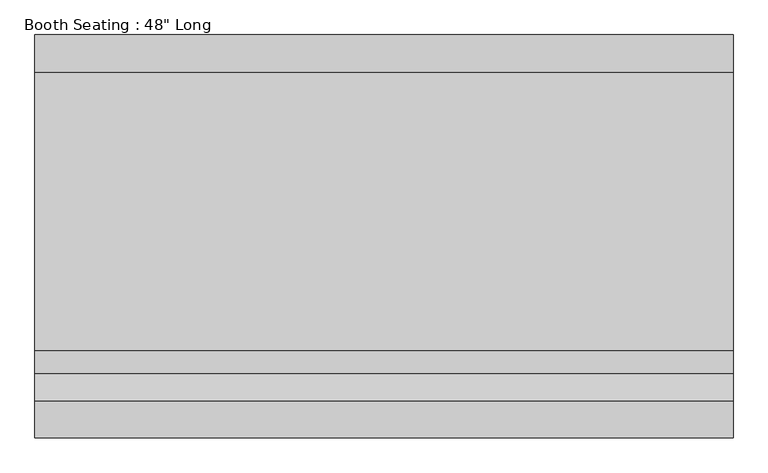
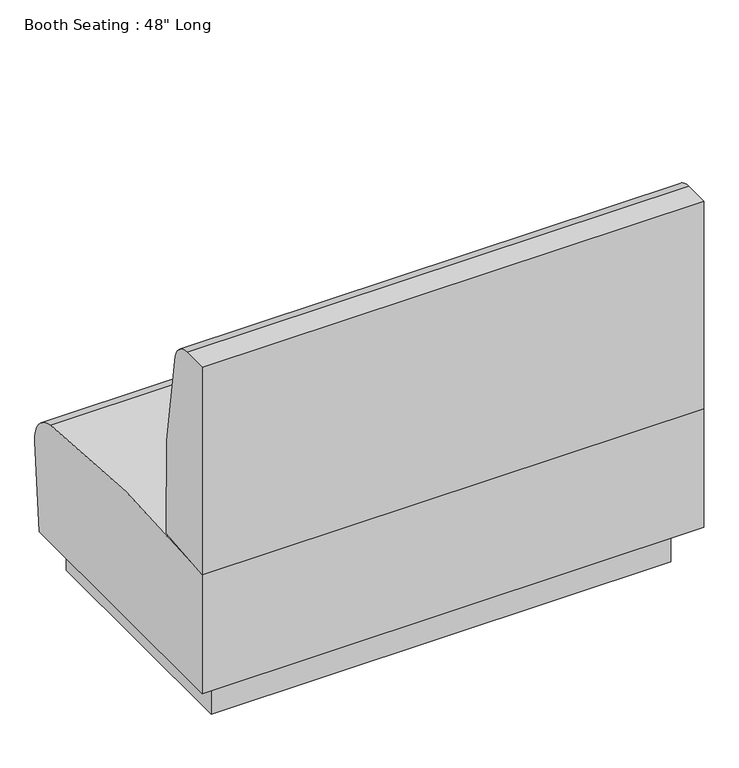
"""IFC4 building model written with IfcOpenShell, lengths in millimetres: furniture geometry."""

import ifcopenshell
import ifcopenshell.guid

model = None  # the IFC model being written
_history = None  # IfcOwnerHistory: only IFC2X3 demands one
_inside = {}  # id of a spatial element -> (the spatial element, [elements in it])
_under = {}  # id of a project, library or spatial element -> (it, [spatial elements below it])
_declared = {}  # id of a project -> (the project, [libraries it declares])
_typed = {}  # id of a type object -> (the type object, [elements of that type])
_made_of = {}  # id of a material, layer set ... -> (it, [elements and type objects made of it])


def new_model(schema):
    """Start an empty IFC model of exactly this schema.

    Asked for "IFC4X3", IfcOpenShell would pick the latest addendum, in which some entities
    have other attributes; the version numbers below select the first issue.
    IFC2X3 requires an IfcOwnerHistory on every rooted entity: one is made here for all.
    """
    global model, _history
    if schema == "IFC4X3":
        model = ifcopenshell.file(schema_version=(4, 3, 0, 0))
    else:
        model = ifcopenshell.file(schema=schema)
    _inside.clear()
    _under.clear()
    _declared.clear()
    _typed.clear()
    _made_of.clear()
    _history = None
    if model.schema == "IFC2X3":
        org = make("IfcOrganization", Name="unknown")
        user = make(
            "IfcPersonAndOrganization",
            ThePerson=make("IfcPerson", FamilyName="unknown"),
            TheOrganization=org,
        )
        app = make(
            "IfcApplication",
            ApplicationDeveloper=org,
            Version="unknown",
            ApplicationFullName="unknown",
            ApplicationIdentifier="unknown",
        )
        _history = make(
            "IfcOwnerHistory",
            OwningUser=user,
            OwningApplication=app,
            ChangeAction="ADDED",
            CreationDate=0,
        )
    return model


def make(cls, **values):
    """One entity of the class cls with the attributes given. An attribute that is None is left unset."""
    return model.create_entity(
        cls, **{name: value for name, value in values.items() if value is not None}
    )


def rooted(cls, **values):
    """An entity with a GlobalId (a new one), such as an element, a storey or a relation."""
    return make(cls, GlobalId=ifcopenshell.guid.new(), OwnerHistory=_history, **values)


def si_unit(unit_type, name, prefix=None):
    """IfcSIUnit, for example si_unit("LENGTHUNIT", "METRE", prefix="MILLI")."""
    return make("IfcSIUnit", UnitType=unit_type, Prefix=prefix, Name=name)


def assignment(units):
    """IfcUnitAssignment: the units of a project."""
    return None if units is None else make("IfcUnitAssignment", Units=units)


def point(xyz):
    """IfcCartesianPoint."""
    return None if xyz is None else make("IfcCartesianPoint", Coordinates=xyz)


def direction(xyz):
    """IfcDirection."""
    return None if xyz is None else make("IfcDirection", DirectionRatios=xyz)


def frame(location, z_axis=None, x_axis=None):
    """IfcAxis2Placement3D, a coordinate frame: its origin and axes. An axis left out is left unset."""
    return make(
        "IfcAxis2Placement3D",
        Location=point(location),
        Axis=direction(z_axis),
        RefDirection=direction(x_axis),
    )


def frame_2d(location, x_axis=None):
    """IfcAxis2Placement2D, a coordinate frame in the plane: its origin and x axis."""
    return make(
        "IfcAxis2Placement2D", Location=point(location), RefDirection=direction(x_axis)
    )


def origin():
    """The frame at (0, 0, 0) with its axes left unset."""
    return frame((0.0, 0.0, 0.0))


def origin_with_axes():
    """The frame at (0, 0, 0) with the z axis (0, 0, 1) and the x axis (1, 0, 0) written out."""
    return frame((0.0, 0.0, 0.0), z_axis=(0.0, 0.0, 1.0), x_axis=(1.0, 0.0, 0.0))


def place(relative_to, where):
    """IfcLocalPlacement: puts the frame where relative to a parent placement (None: the world)."""
    return make(
        "IfcLocalPlacement", PlacementRelTo=relative_to, RelativePlacement=where
    )


def context(
    kind, dimensions, precision=None, world=None, true_north=None, identifier=None
):
    """IfcGeometricRepresentationContext, for example the 3D "Model" context."""
    return make(
        "IfcGeometricRepresentationContext",
        ContextIdentifier=identifier,
        ContextType=kind,
        CoordinateSpaceDimension=dimensions,
        Precision=precision,
        WorldCoordinateSystem=world,
        TrueNorth=true_north,
    )


def project(units=None, contexts=None):
    """IfcProject with its units and contexts."""
    return rooted(
        "IfcProject",
        Name="project",
        RepresentationContexts=contexts,
        UnitsInContext=assignment(units),
    )


def spatial(cls, under=None, at=None, **own):
    """A site, building, storey or space (cls), placed at a placement, below another one or the project."""
    s = rooted(cls, ObjectPlacement=at, **own)
    if under is not None:
        _under.setdefault(under.id(), (under, []))[1].append(s)
    return s


def polyline(points):
    """IfcPolyline through the points."""
    return make("IfcPolyline", Points=[point(p) for p in points])


def circle_curve(where, radius):
    """IfcCircle in the frame where."""
    return make("IfcCircle", Position=where, Radius=radius)


def trimmed(basis, trim1, trim2, sense, master):
    """IfcTrimmedCurve: the piece of a basis curve between two trims."""
    return make(
        "IfcTrimmedCurve",
        BasisCurve=basis,
        Trim1=trim1,
        Trim2=trim2,
        SenseAgreement=sense,
        MasterRepresentation=master,
    )


def segment(curve, same_sense, transition):
    """IfcCompositeCurveSegment."""
    return make(
        "IfcCompositeCurveSegment",
        Transition=transition,
        SameSense=same_sense,
        ParentCurve=curve,
    )


def composite_curve(segments, self_intersect=None):
    """IfcCompositeCurve: segments joined end to end."""
    return make("IfcCompositeCurve", Segments=segments, SelfIntersect=self_intersect)


def outline(outer, holes=None, kind="AREA"):
    """IfcArbitraryClosedProfileDef: a profile drawn as a closed curve; with holes, ...WithVoids."""
    if holes is None:
        return make("IfcArbitraryClosedProfileDef", ProfileType=kind, OuterCurve=outer)
    return make(
        "IfcArbitraryProfileDefWithVoids",
        ProfileType=kind,
        OuterCurve=outer,
        InnerCurves=holes,
    )


def extrude(swept, where, along, depth):
    """IfcExtrudedAreaSolid: the profile swept, set in the frame where, extruded along a direction by depth."""
    return make(
        "IfcExtrudedAreaSolid",
        SweptArea=swept,
        Position=where,
        ExtrudedDirection=direction(along),
        Depth=depth,
    )


def shape(context_of_items, identifier, shape_type, items):
    """IfcShapeRepresentation: the items that make up one representation, for example the "Body"."""
    return make(
        "IfcShapeRepresentation",
        ContextOfItems=context_of_items,
        RepresentationIdentifier=identifier,
        RepresentationType=shape_type,
        Items=items,
    )


def source(mapping_origin, context_of_items, identifier, shape_type, items):
    """IfcRepresentationMap: a shape defined once, which mapped items show again and again."""
    return make(
        "IfcRepresentationMap",
        MappingOrigin=mapping_origin,
        MappedRepresentation=shape(context_of_items, identifier, shape_type, items),
    )


def transform(
    local_origin,
    x_axis=None,
    y_axis=None,
    z_axis=None,
    scale=None,
    scale2=None,
    scale3=None,
    uniform=True,
):
    """IfcCartesianTransformationOperator3D, or its non-uniform kind. x_axis, y_axis, z_axis: its Axis1, 2, 3."""
    if uniform:
        return make(
            "IfcCartesianTransformationOperator3D",
            Axis1=direction(x_axis),
            Axis2=direction(y_axis),
            LocalOrigin=point(local_origin),
            Scale=scale,
            Axis3=direction(z_axis),
        )
    return make(
        "IfcCartesianTransformationOperator3DnonUniform",
        Axis1=direction(x_axis),
        Axis2=direction(y_axis),
        LocalOrigin=point(local_origin),
        Scale=scale,
        Axis3=direction(z_axis),
        Scale2=scale2,
        Scale3=scale3,
    )


def mapped(mapping_source, mapping_target):
    """IfcMappedItem: shows the shape of a source again, moved by a transform."""
    return make(
        "IfcMappedItem", MappingSource=mapping_source, MappingTarget=mapping_target
    )


def made_of(thing, what):
    """Note that an element or type object is made of a material, layer set ...; save() writes the relation."""
    if what is not None:
        _made_of.setdefault(what.id(), (what, []))[1].append(thing)
    return thing


def element(
    cls,
    number,
    at=None,
    inside=None,
    cuts=None,
    type_object=None,
    material=None,
    context=None,
    identifier="Body",
    shape_type=None,
    held_by="IfcProductDefinitionShape",
    body=None,
    shapes=None,
    **own,
):
    """One element of the class cls, such as IfcWall. Its Tag is "e" and its number.

    at: its placement. inside: the storey or other place that contains it. cuts: it is an
    opening in that element (IfcRelVoidsElement). A single representation is given by context,
    identifier, shape_type and body (its items); several are given by shapes. held_by: the class
    of the entity that holds the representations. save() writes the other relations.
    """
    e = rooted(cls, Tag="e%d" % number, ObjectPlacement=at, **own)
    if body is not None:
        shapes = [shape(context, identifier, shape_type, body)]
    if shapes is not None:
        e.Representation = make(held_by, Representations=shapes)
    if inside is not None:
        _inside.setdefault(inside.id(), (inside, []))[1].append(e)
    if cuts is not None:
        rooted(
            "IfcRelVoidsElement", RelatingBuildingElement=cuts, RelatedOpeningElement=e
        )
    if type_object is not None:
        _typed.setdefault(type_object.id(), (type_object, []))[1].append(e)
    return made_of(e, material)


def aggregate(whole, parts):
    """IfcRelAggregates: a whole, such as a stair, and the parts it consists of."""
    return rooted("IfcRelAggregates", RelatingObject=whole, RelatedObjects=parts)


def save(model, path):
    """Write the relations noted so far, then the file.

    IfcRelAggregates (storeys below a building ...), IfcRelContainedInSpatialStructure (elements
    in a storey), IfcRelDefinesByType, IfcRelAssociatesMaterial and IfcRelDeclares: one each for
    every whole, place, type object, material and project.
    """
    for whole, parts in _under.values():
        aggregate(whole, parts)
    for where, things in _inside.values():
        rooted(
            "IfcRelContainedInSpatialStructure",
            RelatedElements=things,
            RelatingStructure=where,
        )
    for kind, things in _typed.values():
        rooted("IfcRelDefinesByType", RelatedObjects=things, RelatingType=kind)
    for what, things in _made_of.values():
        rooted("IfcRelAssociatesMaterial", RelatedObjects=things, RelatingMaterial=what)
    for by, libraries in _declared.values():
        rooted("IfcRelDeclares", RelatingContext=by, RelatedDefinitions=libraries)
    model.write(path)


def furniture_09c69b22(model_context):
    return source(origin(), model_context, "Body", "SweptSolid", [
        extrude(outline(composite_curve([segment(polyline([(-355.6, 939.8), (-292.2747753, 939.8)]), True, "CONTINUOUS"), segment(trimmed(circle_curve(frame_2d((-292.2747753, 889.0)), 50.8), [point((-292.2747753, 939.8))], [point((-242.7504703, 900.3129667))], False, "CARTESIAN"), True, "CONTINUOUS"), segment(trimmed(circle_curve(frame_2d((-1896.6191414, 522.5154157)), 1696.4706218), [point((-242.7504703, 900.3129667))], [point((-203.2, 420.809063))], False, "CARTESIAN"), True, "CONTINUOUS"), segment(polyline([(-203.2, 420.809063), (-355.6, 406.4), (-355.6, 939.8)]), True, "CONTINUOUS")], self_intersect=False)), frame((-609.6, 0.0, 0.0), z_axis=(1.0, 0.0, 0.0), x_axis=(0.0, 1.0, 0.0)), (0.0, 0.0, 1.0), 1219.2),
        extrude(outline(composite_curve([segment(polyline([(348.6009692, 322.4116302), (330.2, 101.6), (-355.6, 101.6), (-355.6, 406.4)]), True, "CONTINUOUS"), segment(trimmed(circle_curve(frame_2d((-44.6835428, -2068.9155338)), 2494.7657275), [point((-355.6, 406.4))], [point((282.6626275, 404.2808838))], False, "CARTESIAN"), True, "CONTINUOUS"), segment(trimmed(circle_curve(frame_2d((272.6641824, 328.7396957)), 76.2), [point((282.6626275, 404.2808838))], [point((348.6009692, 322.4116302))], False, "CARTESIAN"), True, "CONTINUOUS")], self_intersect=False)), frame((-609.6, 0.0, 0.0), z_axis=(1.0, 0.0, 0.0), x_axis=(0.0, 1.0, 0.0)), (0.0, 0.0, 1.0), 1219.2),
        extrude(outline(polyline([(558.8, -304.8), (-558.8, -304.8), (-558.8, 304.8), (558.8, 304.8), (558.8, -304.8)])), origin_with_axes(), (0.0, 0.0, 1.0), 101.6),
    ])


if __name__ == "__main__":
    model = new_model("IFC4")
    model_context = context("Model", 3, world=origin())
    ifc_project = project(units=[si_unit("LENGTHUNIT", "METRE", prefix="MILLI")], contexts=[model_context])
    site = spatial("IfcSite", under=ifc_project)
    building = spatial("IfcBuilding", under=site)
    placement = place(None, origin())
    furniture_shape = furniture_09c69b22(model_context)
    element("IfcFurniture", 1, ObjectType="Booth Seating : 48\" Long", at=placement, inside=building, context=model_context, shape_type="MappedRepresentation", body=[
        mapped(furniture_shape, transform((0.0, 0.0, 0.0), x_axis=(1.0, 0.0, 0.0), y_axis=(0.0, 1.0, 0.0), z_axis=(0.0, 0.0, 1.0))),
    ])
    save(model, "model.ifc")
